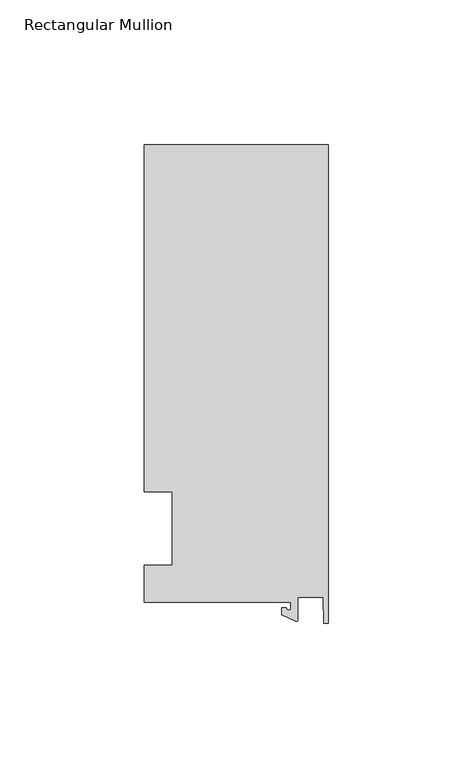
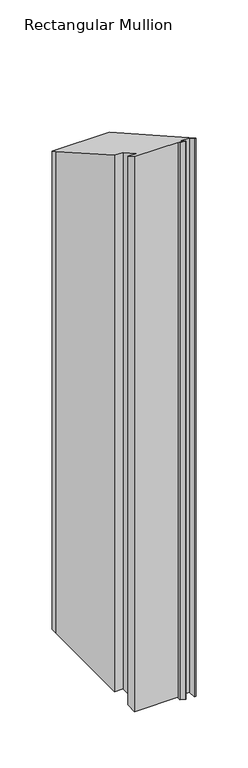
"""IFC4 building model written with IfcOpenShell, lengths in millimetres: member geometry, Rectangular Mullion."""

from ifc_helpers import new_model, si_unit, frame, origin, place, context, project, spatial, polyline, circle_curve, ellipse_curve, source, transform, mapped, element, save
from ifc_brep_helpers import plane_surface, cylinder_surface, revolved_surface, advanced_brep


def rectangular_mullion_218e0081(model_context):
    return source(origin(), model_context, "Body", "AdvancedBrep", [
        advanced_brep(
        [(-12.8216721, -25.5984375, -635.0), (-63.5, -25.5984375, -635.0), (-63.5, -12.7, -635.0), (-53.975, -12.7, -635.0), (-53.975, 12.7, -635.0), (-63.5, 12.7, -635.0), (-63.5, 125.075512, -635.0), (-63.5, 132.822512, -635.0), (0.0, 132.822512, -635.0), (0.0, -32.810012, -635.0), (-1.5566453, -32.810012, -635.0), (-1.7144124, -23.9227662, -635.0), (-10.4340721, -23.9227662, -635.0), (-10.4340721, -31.6795354, -635.0), (-11.1567622, -32.1399398, -635.0), (-15.9966721, -29.8830527, -635.0), (-15.9966721, -27.5208534, -635.0), (-14.4091721, -27.5208534, -635.0), (-12.8216721, -27.5208534, -635.0), (-12.8216721, -27.5208534, 15.5705497), (-12.8216721, -25.5984375, 14.4828991), (-14.4091721, -27.5208534, 15.5705497), (-15.9966721, -27.5208534, 15.5705497), (-15.9966721, -29.8830527, 16.9070178), (-11.1567622, -32.1399398, 18.183903), (-10.4340721, -31.6795354, 17.9234188), (-10.4340721, -23.9227662, 13.5348499), (-1.7144124, -23.9227662, 13.5348499), (-1.5566453, -32.810012, 18.5630116), (0.0, -32.810012, 18.5630116), (0.0, 132.822512, -75.1473616), (-63.5, 132.822512, -75.1473616), (-63.5, 12.7, -7.1853143), (-63.5, 125.075512, -70.7643199), (-53.975, 12.7, -7.1853143), (-53.975, -12.7, 7.1853143), (-63.5, -12.7, 7.1853143), (-63.5, -25.5984375, 14.4828991)],
        [
            (0, 1),
            (1, 2),
            (2, 3),
            (3, 4),
            (4, 5),
            (5, 6),
            (6, 7),
            (7, 8),
            (8, 9),
            (9, 10),
            (10, 11),
            (11, 12),
            (12, 13),
            (13, 14, circle_curve(frame((-10.9420721, -31.6795354, -635.0), z_axis=(0.0, 0.0, -1.0), x_axis=(-1.0, 0.0, 0.0)), 0.508)),
            (14, 15),
            (15, 16),
            (16, 17),
            (17, 18, circle_curve(frame((-13.6154221, -27.5208534, -635.0), z_axis=(0.0, 0.0, 1.0), x_axis=(-1.0, 0.0, 0.0)), 0.79375)),
            (18, 0),
            (19, 20),
            (20, 0),
            (18, 19),
            (21, 19, ellipse_curve(frame((-13.6154221, -27.5208534, 15.5705497), z_axis=(0.0, 0.4924235601034684, 0.8703556959398989), x_axis=(0.0, 0.8703556959398989, -0.49242356010346844)), 0.9119835, 0.79375)),
            (17, 21),
            (22, 21),
            (16, 22),
            (23, 22),
            (15, 23),
            (24, 23),
            (14, 24),
            (25, 24, ellipse_curve(frame((-10.9420721, -31.6795354, 17.9234188), z_axis=(0.0, -0.4924235601034684, -0.8703556959398989), x_axis=(0.0, -0.8703556959398989, 0.49242356010346844)), 0.5836694, 0.508)),
            (13, 25),
            (26, 25),
            (12, 26),
            (27, 26),
            (11, 27),
            (28, 27),
            (10, 28),
            (29, 28),
            (9, 29),
            (30, 29),
            (8, 30),
            (31, 30),
            (7, 31),
            (32, 33),
            (33, 6),
            (5, 32),
            (34, 32),
            (4, 34),
            (35, 34),
            (3, 35),
            (36, 35),
            (2, 36),
            (37, 36),
            (1, 37),
            (20, 37),
            (31, 33),
        ],
        [
            plane_surface(frame((0.0, -147.2211591, -635.0), z_axis=(0.0, 0.0, -1.0), x_axis=(-1.0, 0.0, 0.0))),
            plane_surface(frame((-12.8216721, -25.5984375, 0.0), z_axis=(-1.0, 0.0, 0.0), x_axis=(0.0, 0.0, -1.0))),
            revolved_surface(polyline([(-14.4091721, -27.5208534, -635.0), (-14.4091721, -27.5208534, 16.019631861825623)]), (-13.6154221, -27.5208534, 0.0), (0.0, 0.0, -1.0)),
            plane_surface(frame((-14.4091721, -27.5208534, 0.0), z_axis=(0.0, 1.0, 0.0), x_axis=(0.0, 0.0, -1.0))),
            plane_surface(frame((-15.9966721, -27.5208534, 0.0), z_axis=(-1.0, 0.0, 0.0), x_axis=(0.0, 0.0, -1.0))),
            plane_surface(frame((-15.9966721, -29.8830527, 0.0), z_axis=(-0.4226182617406985, -0.9063077870366505, 0.0), x_axis=(0.0, 0.0, -1.0))),
            cylinder_surface(frame((-10.9420721, -31.6795354, 0.0), z_axis=(0.0, 0.0, 1.0), x_axis=(-1.0, 0.0, 0.0)), 0.508),
            plane_surface(frame((-10.4340721, -31.6795354, 0.0), z_axis=(1.0, 0.0, 0.0), x_axis=(0.0, 0.0, -1.0))),
            plane_surface(frame((-10.4340721, -23.9227662, 0.0), z_axis=(0.0, -1.0, 0.0), x_axis=(0.0, 0.0, -1.0))),
            plane_surface(frame((-1.7144124, -23.9227662, 0.0), z_axis=(-0.9998424690407919, -0.017749284560600327, 0.0), x_axis=(0.0, 0.0, -1.0))),
            plane_surface(frame((-1.5566453, -32.810012, 0.0), z_axis=(0.0, -1.0, 0.0), x_axis=(0.0, 0.0, -1.0))),
            plane_surface(frame((0.0, -32.810012, 0.0), z_axis=(1.0, 0.0, 0.0), x_axis=(0.0, 0.0, -1.0))),
            plane_surface(frame((0.0, 132.822512, 0.0), z_axis=(0.0, 1.0, 0.0), x_axis=(0.0, 0.0, -1.0))),
            plane_surface(frame((-63.5, 125.075512, 0.0), z_axis=(-1.0, 0.0, 0.0), x_axis=(0.0, 0.0, -1.0))),
            plane_surface(frame((-63.5, 12.7, 0.0), z_axis=(0.0, -1.0, 0.0), x_axis=(0.0, 0.0, -1.0))),
            plane_surface(frame((-53.975, 12.7, 0.0), z_axis=(-1.0, 0.0, 0.0), x_axis=(0.0, 0.0, -1.0))),
            plane_surface(frame((-53.975, -12.7, 0.0), z_axis=(0.0, 1.0, 0.0), x_axis=(0.0, 0.0, -1.0))),
            plane_surface(frame((-63.5, -12.7, 0.0), z_axis=(-1.0, 0.0, 0.0), x_axis=(0.0, 0.0, -1.0))),
            plane_surface(frame((-63.5, -25.5984375, 0.0), z_axis=(0.0, -1.0, 0.0), x_axis=(0.0, 0.0, -1.0))),
            plane_surface(frame((-304.8, 0.0, 0.0), z_axis=(0.0, 0.4924235601034684, 0.8703556959398989), x_axis=(0.0, 0.8703556959398989, -0.4924235601034684))),
            plane_surface(frame((-63.5, 132.822512, 0.0), z_axis=(-1.0, 0.0, 0.0), x_axis=(0.0, 0.0, -1.0))),
        ],
        [
            (0, [[1, 2, 3, 4, 5, 6, 7, 8, 9, 10, 11, 12, 13, 14, 15, 16, 17, 18, 19]]),
            (1, [[20, 21, -19, 22]]),
            (2, [[23, -22, -18, 24]]),
            (3, [[25, -24, -17, 26]]),
            (4, [[27, -26, -16, 28]]),
            (5, [[29, -28, -15, 30]]),
            (6, [[31, -30, -14, 32]]),
            (7, [[33, -32, -13, 34]]),
            (8, [[35, -34, -12, 36]]),
            (9, [[37, -36, -11, 38]]),
            (10, [[39, -38, -10, 40]]),
            (11, [[41, -40, -9, 42]]),
            (12, [[43, -42, -8, 44]]),
            (13, [[45, 46, -6, 47]]),
            (14, [[48, -47, -5, 49]]),
            (15, [[50, -49, -4, 51]]),
            (16, [[52, -51, -3, 53]]),
            (17, [[54, -53, -2, 55]]),
            (18, [[56, -55, -1, -21]]),
            (19, [[-20, -23, -25, -27, -29, -31, -33, -35, -37, -39, -41, -43, 57, -45, -48, -50, -52, -54, -56]]),
            (20, [[-57, -44, -7, -46]]),
        ],
    ),
    ])


if __name__ == "__main__":
    model = new_model("IFC4")
    model_context = context("Model", 3, world=origin())
    ifc_project = project(units=[si_unit("LENGTHUNIT", "METRE", prefix="MILLI")], contexts=[model_context])
    site = spatial("IfcSite", under=ifc_project)
    building = spatial("IfcBuilding", under=site)
    placement = place(None, origin())
    rectangular_mullion_shape = rectangular_mullion_218e0081(model_context)
    element("IfcMember", 1, ObjectType="Rectangular Mullion", at=placement, inside=building, context=model_context, shape_type="MappedRepresentation", body=[
        mapped(rectangular_mullion_shape, transform((0.0, 0.0, 0.0), x_axis=(1.0, 0.0, 0.0), y_axis=(0.0, 1.0, 0.0), z_axis=(0.0, 0.0, 1.0))),
    ])
    save(model, "model.ifc")
